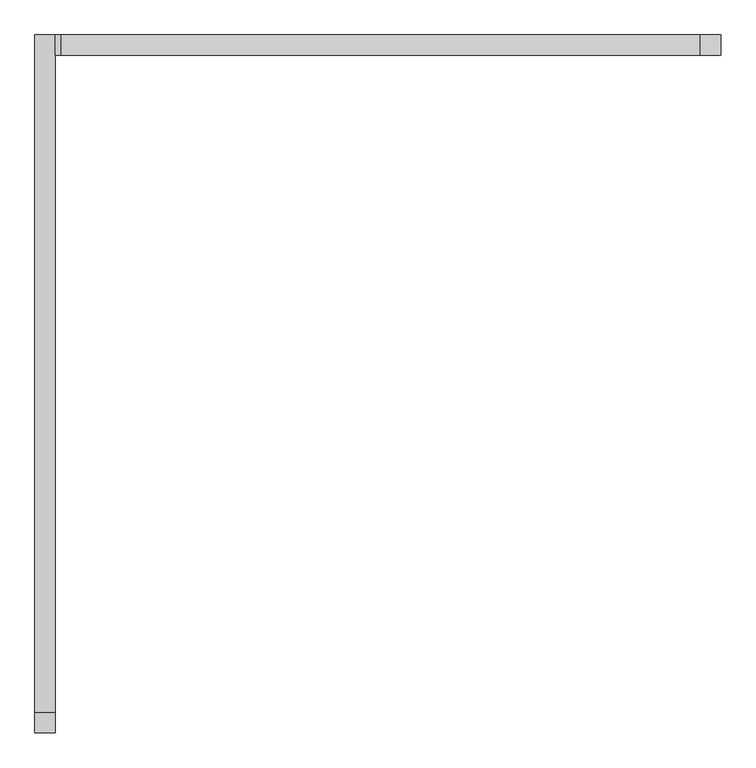
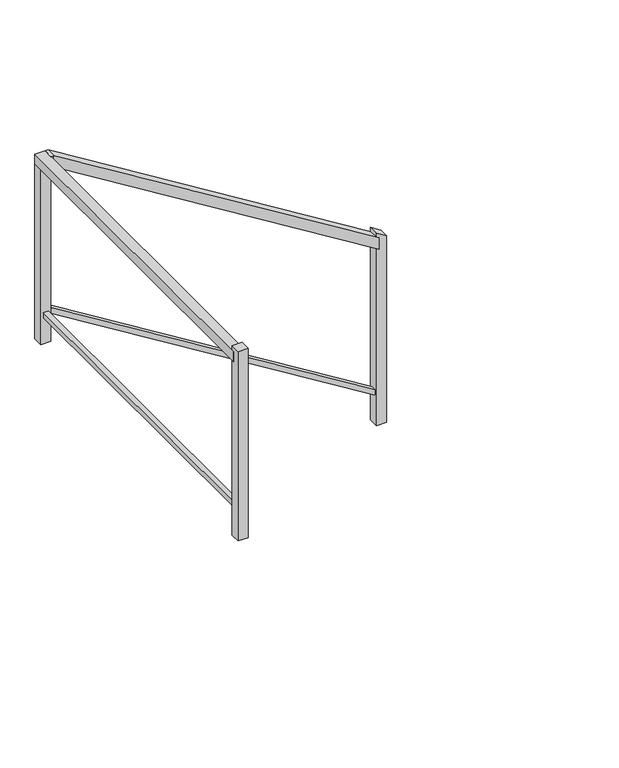
"""IFC4 building model written with IfcOpenShell, lengths in millimetres: railing geometry."""

from ifc_helpers import new_model, si_unit, frame, origin, place, context, project, spatial, polyline, outline, extrude, faceted_brep, source, transform, mapped, element, save


def railing_0c6a89a5(model_context):
    return source(origin(), model_context, "Body", "SolidModel", [
        faceted_brep([(-18278.6629276, 121096.0306038, -1497.5192602), (-18278.6629276, 121045.2306038, -1497.5192602), (-18278.6629276, 121045.2306038, -1557.2175819), (-18278.6629276, 121096.0306038, -1557.2175819), (-19903.4550081, 121096.0306038, -494.6), (-19903.4550081, 121045.2306038, -494.6), (-19917.870847, 121045.2306038, -545.4), (-19917.870847, 121096.0306038, -545.4), (-19919.6313605, 121096.0306038, -494.6), (-19919.6313605, 121096.0306038, -545.4), (-19919.6313605, 121045.2306038, -545.4), (-19919.6313605, 121045.2306038, -494.6)], [[[0, 1, 2, 3]], [[1, 0, 4, 5]], [[2, 1, 5, 6]], [[3, 2, 6, 7]], [[0, 3, 7, 4]], [[8, 9, 10, 11]], [[5, 4, 8, 11]], [[6, 5, 11, 10]], [[7, 6, 10, 9]], [[4, 7, 9, 8]]]),
        faceted_brep([(-18278.6629276, 121083.3306038, -2310.0438406), (-18278.6629276, 121057.9306038, -2310.0438406), (-18278.6629276, 121057.9306038, -2339.8930015), (-18278.6629276, 121083.3306038, -2339.8930015), (-19907.0589678, 121083.3306038, -1304.9), (-19907.0589678, 121057.9306038, -1304.9), (-19914.2668873, 121057.9306038, -1330.3), (-19914.2668873, 121083.3306038, -1330.3), (-19932.3313605, 121083.3306038, -1304.9), (-19932.3313605, 121083.3306038, -1330.3), (-19932.3313605, 121057.9306038, -1330.3), (-19932.3313605, 121057.9306038, -1304.9)], [[[0, 1, 2, 3]], [[1, 0, 4, 5]], [[2, 1, 5, 6]], [[3, 2, 6, 7]], [[0, 3, 7, 4]], [[8, 9, 10, 11]], [[5, 4, 8, 11]], [[6, 5, 11, 10]], [[7, 6, 10, 9]], [[4, 7, 9, 8]]]),
        faceted_brep([(-19970.4313605, 121096.0306038, -494.6), (-19919.6313605, 121096.0306038, -494.6), (-19919.6313605, 121096.0306038, -545.4), (-19970.4313605, 121096.0306038, -545.4), (-19970.4313605, 119374.432831, -494.6), (-19970.4313605, 119374.432831, -545.4), (-19919.6313605, 119374.432831, -545.4), (-19919.6313605, 119374.432831, -494.6)], [[[0, 1, 2, 3]], [[4, 5, 6, 7]], [[1, 0, 4, 7]], [[2, 1, 7, 6]], [[3, 2, 6, 5]], [[0, 3, 5, 4]]]),
        faceted_brep([(-19957.7313605, 121083.3306038, -1304.9), (-19932.3313605, 121083.3306038, -1304.9), (-19932.3313605, 121083.3306038, -1330.3), (-19957.7313605, 121083.3306038, -1330.3), (-19957.7313605, 119374.432831, -1304.9), (-19957.7313605, 119374.432831, -1330.3), (-19932.3313605, 119374.432831, -1330.3), (-19932.3313605, 119374.432831, -1304.9)], [[[0, 1, 2, 3]], [[4, 5, 6, 7]], [[1, 0, 4, 7]], [[2, 1, 7, 6]], [[3, 2, 6, 5]], [[0, 3, 5, 4]]]),
        extrude(outline(polyline([(-19919.6313605, 121045.2306038), (-19970.4313605, 121045.2306038), (-19970.4313605, 121096.0306038), (-19919.6313605, 121096.0306038), (-19919.6313605, 121045.2306038)])), frame((0.0, 0.0, -1470.0), z_axis=(0.0, 0.0, 1.0), x_axis=(1.0, 0.0, 0.0)), (0.0, 0.0, 1.0), 924.6),
        extrude(outline(polyline([(-19919.6313605, 119387.132831), (-19919.6313605, 119336.332831), (-19970.4313605, 119336.332831), (-19970.4313605, 119387.132831), (-19919.6313605, 119387.132831)])), frame((0.0, 0.0, -1470.0), z_axis=(0.0, 0.0, 1.0), x_axis=(1.0, 0.0, 0.0)), (0.0, 0.0, 1.0), 1000.9),
        extrude(outline(polyline([(-1499.9860294, -18240.5629276), (-1468.6292183, -18291.3629276), (-2485.2076238, -18291.3629276), (-2485.2076238, -18240.5629276), (-1499.9860294, -18240.5629276)])), frame((0.0, 121045.2306038, 0.0), z_axis=(0.0, 1.0, 0.0), x_axis=(0.0, 0.0, 1.0)), (0.0, 0.0, 1.0), 50.8),
    ])


if __name__ == "__main__":
    model = new_model("IFC4")
    model_context = context("Model", 3, world=origin())
    ifc_project = project(units=[si_unit("LENGTHUNIT", "METRE", prefix="MILLI")], contexts=[model_context])
    site = spatial("IfcSite", under=ifc_project)
    building = spatial("IfcBuilding", under=site)
    placement = place(None, origin())
    railing_shape = railing_0c6a89a5(model_context)
    element("IfcRailing", 1, at=placement, inside=building, context=model_context, shape_type="MappedRepresentation", body=[
        mapped(railing_shape, transform((0.0, 0.0, 0.0), x_axis=(1.0, 0.0, 0.0), y_axis=(0.0, 1.0, 0.0), z_axis=(0.0, 0.0, 1.0))),
    ])
    save(model, "model.ifc")
